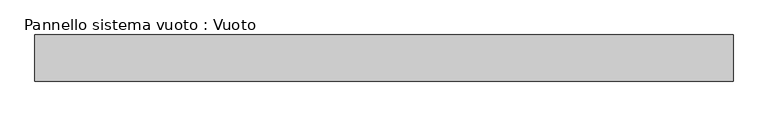
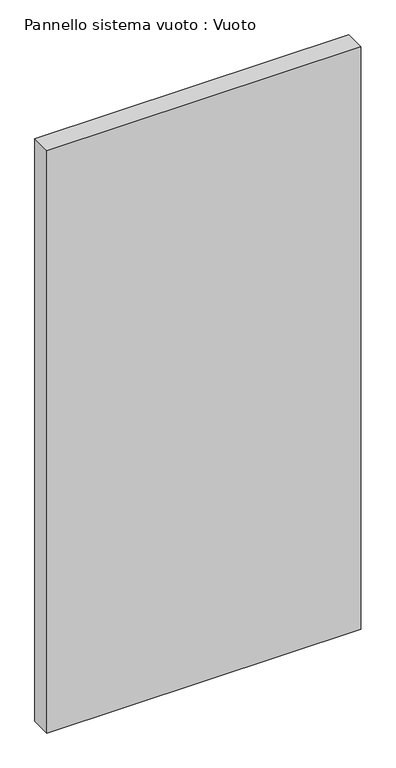
"""IFC4 building model written with IfcOpenShell, lengths in millimetres: plate geometry, Pannello sistema vuoto : Vuoto."""

from ifc_helpers import new_model, si_unit, origin, origin_with_axes, place, context, project, spatial, polyline, outline, extrude, source, transform, mapped, element, save


def pannello_sistema_vuoto_vuoto_031567db(model_context):
    return source(origin(), model_context, "Body", "SweptSolid", [
        extrude(outline(polyline([(750.0, 50.0), (-750.0, 50.0), (-750.0, 150.0), (750.0, 150.0), (750.0, 50.0)])), origin_with_axes(), (0.0, 0.0, 1.0), 2943.6046213),
    ])


if __name__ == "__main__":
    model = new_model("IFC4")
    model_context = context("Model", 3, world=origin())
    ifc_project = project(units=[si_unit("LENGTHUNIT", "METRE", prefix="MILLI")], contexts=[model_context])
    site = spatial("IfcSite", under=ifc_project)
    building = spatial("IfcBuilding", under=site)
    placement = place(None, origin())
    pannello_sistema_vuoto_vuoto_shape = pannello_sistema_vuoto_vuoto_031567db(model_context)
    element("IfcPlate", 1, ObjectType="Pannello sistema vuoto : Vuoto", at=placement, inside=building, context=model_context, shape_type="MappedRepresentation", body=[
        mapped(pannello_sistema_vuoto_vuoto_shape, transform((0.0, 0.0, 0.0), x_axis=(1.0, 0.0, 0.0), y_axis=(0.0, 1.0, 0.0), z_axis=(0.0, 0.0, 1.0))),
    ])
    save(model, "model.ifc")
